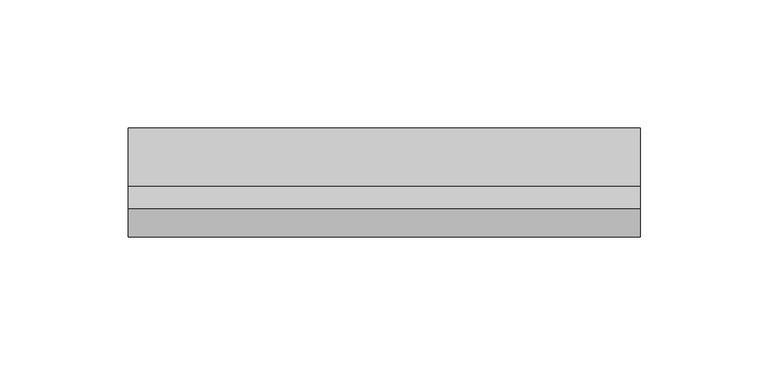
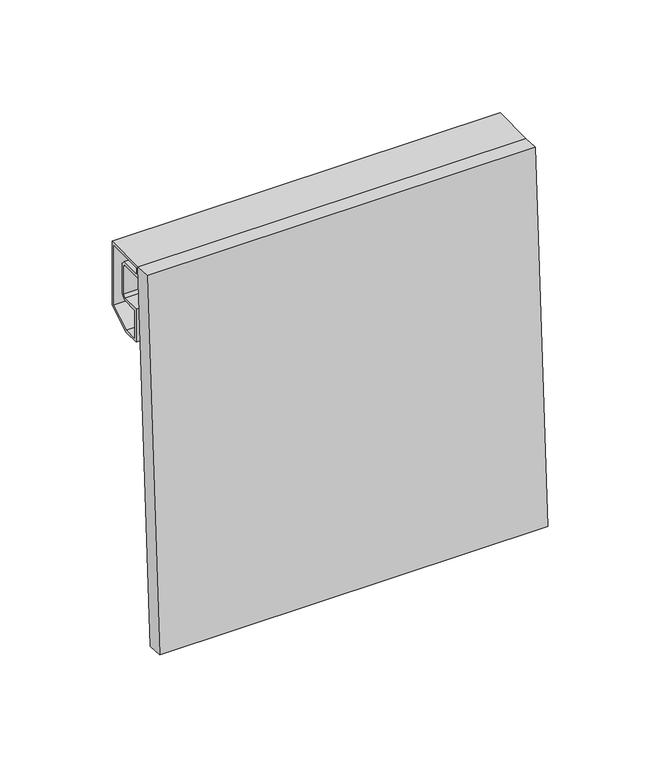
"""IFC4 building model written with IfcOpenShell, lengths in millimetres: plate geometry."""

from ifc_helpers import new_model, si_unit, frame, origin, place, context, project, spatial, polyline, outline, extrude, source, transform, mapped, element, save


def plate_38d83b8a(model_context):
    return source(origin(), model_context, "Body", "SweptSolid", [
        extrude(outline(polyline([(0.0, 8.5), (200.0, 8.5), (200.0, 0.0), (0.0, 0.0), (0.0, 8.5)])), frame((100.0, -11.0929581, 0.0), z_axis=(0.0, 0.05537967254200552, 0.9984653683874771), x_axis=(-1.0, 0.0, 0.0)), (0.0, 0.0, 1.0), 200.3073981),
        extrude(outline(polyline([(23.0, 165.1685791), (10.3922729, 158.0), (1.5, 158.0), (1.5, 176.0), (11.5857849, 176.0), (13.0, 177.4142151), (13.0, 192.5857849), (11.5857849, 194.0), (0.0, 194.0), (0.0, 200.0), (23.0, 200.0), (23.0, 165.1685791)]), holes=[polyline([(1.5, 198.5), (1.5, 195.5), (12.2071053, 195.5), (14.5, 193.2071053), (14.5, 176.7928947), (12.2071053, 174.5), (3.0, 174.5), (3.0, 159.5), (9.9956483, 159.5), (21.5, 166.0412151), (21.5, 198.5), (1.5, 198.5)])]), frame((-100.0, 0.0, 0.0), z_axis=(1.0, 0.0, 0.0), x_axis=(0.0, 1.0, 0.0)), (0.0, 0.0, 1.0), 200.0),
    ])


if __name__ == "__main__":
    model = new_model("IFC4")
    model_context = context("Model", 3, world=origin())
    ifc_project = project(units=[si_unit("LENGTHUNIT", "METRE", prefix="MILLI")], contexts=[model_context])
    site = spatial("IfcSite", under=ifc_project)
    building = spatial("IfcBuilding", under=site)
    placement = place(None, origin())
    plate_shape = plate_38d83b8a(model_context)
    element("IfcPlate", 1, at=placement, inside=building, context=model_context, shape_type="MappedRepresentation", body=[
        mapped(plate_shape, transform((0.0, 0.0, 0.0), x_axis=(1.0, 0.0, 0.0), y_axis=(0.0, 1.0, 0.0), z_axis=(0.0, 0.0, 1.0))),
    ])
    save(model, "model.ifc")
